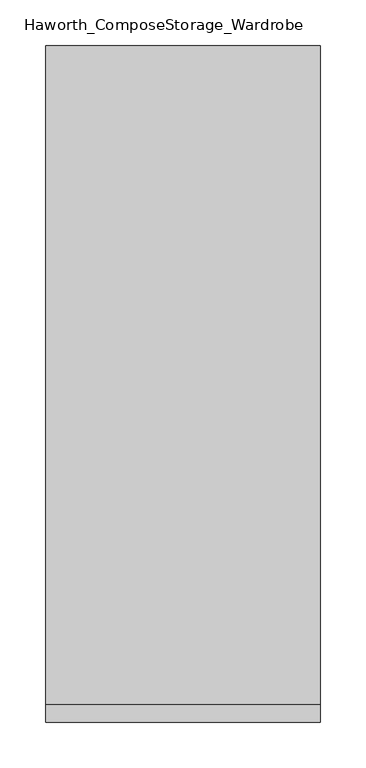
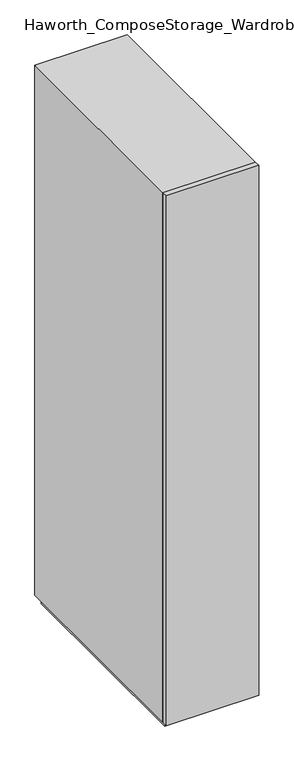
"""IFC4 building model written with IfcOpenShell, lengths in millimetres: furniture geometry, Haworth_ComposeStorage_Wardrobe."""

from ifc_helpers import new_model, si_unit, frame, origin, origin_with_axes, place, context, project, spatial, polyline, outline, extrude, faceted_brep, source, transform, mapped, element, save


def haworth_composestorage_wardrobe_a28d2d7b(model_context):
    return source(origin(), model_context, "Body", "SolidModel", [
        extrude(outline(polyline([(150.8263906, -381.0), (-150.7986094, -381.0), (-150.7986094, -361.95), (150.8263906, -361.95), (150.8263906, -381.0)])), frame((0.0, 0.0, 25.4), z_axis=(0.0, 0.0, 1.0), x_axis=(1.0, 0.0, 0.0)), (0.0, 0.0, 1.0), 1828.8),
        faceted_brep([(-150.7986094, -361.95, 25.4), (150.8263906, -361.95, 25.4), (150.8263906, -361.95, 1854.2), (-150.7986094, -361.95, 1854.2), (-131.7486094, -361.95, 44.45), (-131.7486094, -361.95, 1835.15), (131.7486094, -361.95, 1835.15), (131.7486094, -361.95, 44.45), (-150.7986094, 361.95, 25.4), (-150.7986094, 361.95, 1854.2), (150.8263906, 361.95, 1854.2), (150.8263906, 361.95, 25.4), (-131.7486094, 342.9, 44.45), (-131.7486094, 342.9, 1835.15), (131.7486094, 342.9, 1835.15), (131.7486094, 342.9, 44.45)], [[[0, 1, 2, 3], [4, 5, 6, 7]], [[8, 9, 10, 11]], [[1, 0, 8, 11]], [[2, 1, 11, 10]], [[3, 2, 10, 9]], [[0, 3, 9, 8]], [[5, 4, 12, 13]], [[6, 5, 13, 14]], [[7, 6, 14, 15]], [[4, 7, 15, 12]], [[13, 12, 15, 14]]]),
        extrude(outline(polyline([(138.1263906, -349.25), (-138.0986094, -349.25), (-138.0986094, 349.25), (138.1263906, 349.25), (138.1263906, -349.25)])), origin_with_axes(), (0.0, 0.0, 1.0), 25.4),
    ])


if __name__ == "__main__":
    model = new_model("IFC4")
    model_context = context("Model", 3, world=origin())
    ifc_project = project(units=[si_unit("LENGTHUNIT", "METRE", prefix="MILLI")], contexts=[model_context])
    site = spatial("IfcSite", under=ifc_project)
    building = spatial("IfcBuilding", under=site)
    placement = place(None, origin())
    haworth_composestorage_wardrobe_shape = haworth_composestorage_wardrobe_a28d2d7b(model_context)
    element("IfcFurniture", 1, ObjectType="Haworth_ComposeStorage_Wardrobe", at=placement, inside=building, context=model_context, shape_type="MappedRepresentation", body=[
        mapped(haworth_composestorage_wardrobe_shape, transform((0.0, 0.0, 0.0), x_axis=(1.0, 0.0, 0.0), y_axis=(0.0, 1.0, 0.0), z_axis=(0.0, 0.0, 1.0))),
    ])
    save(model, "model.ifc")
